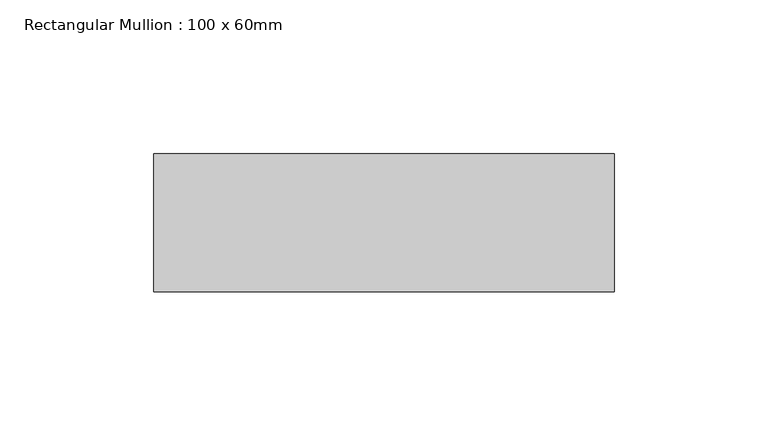
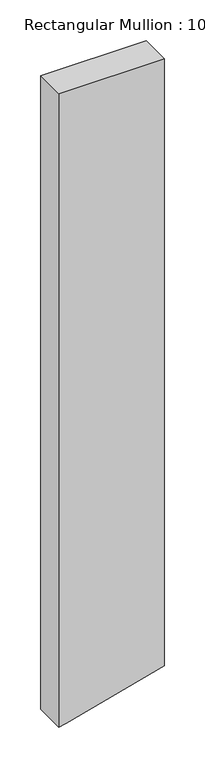
"""IFC4 building model written with IfcOpenShell, lengths in millimetres: member geometry, Rectangular Mullion : 100 x 60mm."""

from ifc_helpers import new_model, si_unit, frame, origin, place, context, project, spatial, polyline, outline, extrude, source, transform, mapped, element, save


def rectangular_mullion_100_x_60mm_9534fb52(model_context):
    return source(origin(), model_context, "Body", "SweptSolid", [
        extrude(outline(polyline([(0.0, 75.0), (0.0, -75.0), (-952.9819279, -75.0), (-950.223327, -64.7047613), (-912.789549, 75.0), (0.0, 75.0)])), frame((0.0, -15.0, 0.0), z_axis=(0.0, 1.0, 0.0), x_axis=(0.0, 0.0, 1.0)), (0.0, 0.0, 1.0), 45.0),
    ])


if __name__ == "__main__":
    model = new_model("IFC4")
    model_context = context("Model", 3, world=origin())
    ifc_project = project(units=[si_unit("LENGTHUNIT", "METRE", prefix="MILLI")], contexts=[model_context])
    site = spatial("IfcSite", under=ifc_project)
    building = spatial("IfcBuilding", under=site)
    placement = place(None, origin())
    rectangular_mullion_100_x_60mm_shape = rectangular_mullion_100_x_60mm_9534fb52(model_context)
    element("IfcMember", 1, ObjectType="Rectangular Mullion : 100 x 60mm", at=placement, inside=building, context=model_context, shape_type="MappedRepresentation", body=[
        mapped(rectangular_mullion_100_x_60mm_shape, transform((0.0, 0.0, 0.0), x_axis=(1.0, 0.0, 0.0), y_axis=(0.0, 1.0, 0.0), z_axis=(0.0, 0.0, 1.0))),
    ])
    save(model, "model.ifc")
